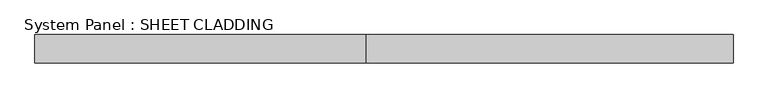
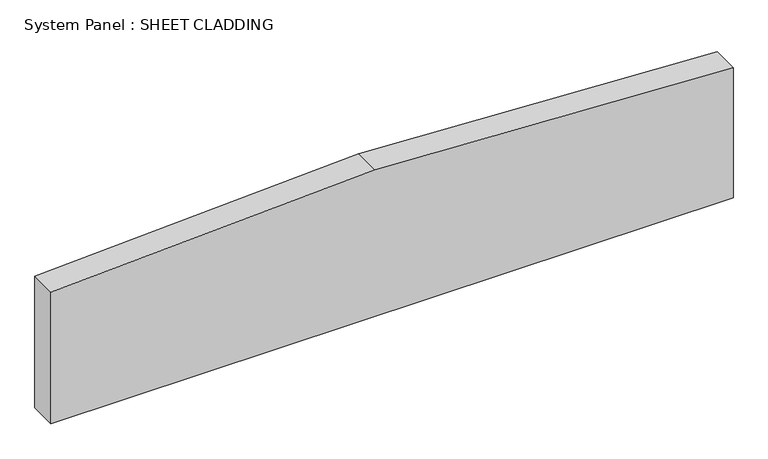
"""IFC4 building model written with IfcOpenShell, lengths in millimetres: plate geometry, System Panel : SHEET CLADDING."""

from ifc_helpers import new_model, si_unit, frame, origin, place, context, project, spatial, polyline, outline, extrude, source, transform, mapped, element, save


def system_panel_sheet_cladding_91b4098f(model_context):
    return source(origin(), model_context, "Body", "SweptSolid", [
        extrude(outline(polyline([(0.0, -735.4591837), (0.0, 735.4591837), (296.4520408, 735.4591837), (335.1, -37.5), (300.2020408, -735.4591837), (0.0, -735.4591837)])), frame((0.0, -10.5, 0.0), z_axis=(0.0, 1.0, 0.0), x_axis=(0.0, 0.0, 1.0)), (0.0, 0.0, 1.0), 60.0),
    ])


if __name__ == "__main__":
    model = new_model("IFC4")
    model_context = context("Model", 3, world=origin())
    ifc_project = project(units=[si_unit("LENGTHUNIT", "METRE", prefix="MILLI")], contexts=[model_context])
    site = spatial("IfcSite", under=ifc_project)
    building = spatial("IfcBuilding", under=site)
    placement = place(None, origin())
    system_panel_sheet_cladding_shape = system_panel_sheet_cladding_91b4098f(model_context)
    element("IfcPlate", 1, ObjectType="System Panel : SHEET CLADDING", at=placement, inside=building, context=model_context, shape_type="MappedRepresentation", body=[
        mapped(system_panel_sheet_cladding_shape, transform((0.0, 0.0, 0.0), x_axis=(1.0, 0.0, 0.0), y_axis=(0.0, 1.0, 0.0), z_axis=(0.0, 0.0, 1.0))),
    ])
    save(model, "model.ifc")
